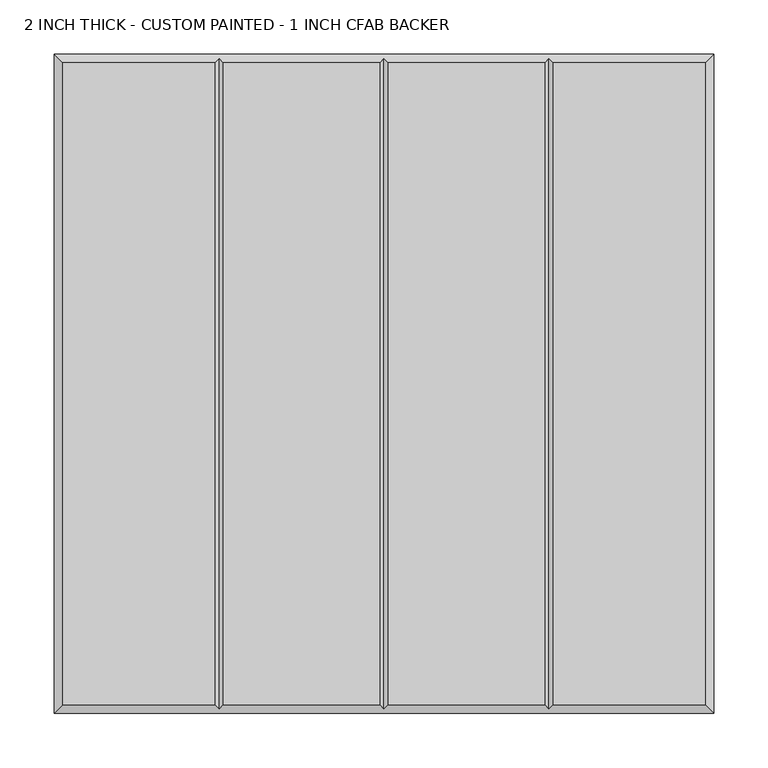
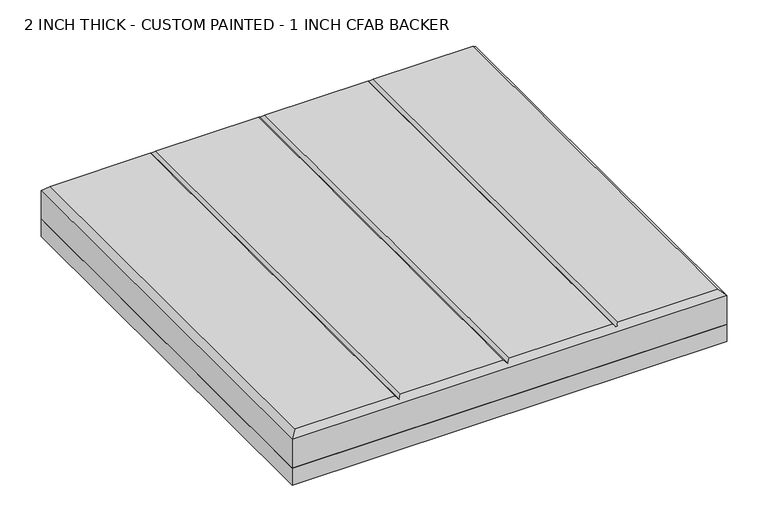
"""IFC4 building model written with IfcOpenShell, lengths in millimetres: proxy geometry, 2 INCH THICK - CUSTOM PAINTED - 1 INCH CFAB BACKER."""

from ifc_helpers import new_model, si_unit, frame, origin, place, context, project, spatial, polyline, outline, extrude, faceted_brep, source, transform, mapped, element, save


def proxy_2_inch_thick_custom_painted_1_inch_cfab_backer_888ce173(model_context):
    return source(origin(), model_context, "Body", "SolidModel", [
        extrude(outline(polyline([(-304.8, 304.8), (304.8, 304.8), (304.8, -304.8), (-304.8, -304.8), (-304.8, 304.8)])), frame((0.0, 0.0, -25.4), z_axis=(0.0, 0.0, 1.0), x_axis=(1.0, 0.0, 0.0)), (0.0, 0.0, 1.0), 25.4),
        faceted_brep([(-296.799, 296.799, 50.8), (-296.799, -296.799, 50.8), (-156.4009826, -296.799, 50.8), (-156.4009826, 296.799, 50.8), (296.799, -296.799, 50.8), (296.799, 296.799, 50.8), (156.4010334, 296.799, 50.8), (156.4010334, -296.799, 50.8), (-148.3999826, 296.799, 50.8), (-148.3999826, -296.799, 50.8), (-4.0004746, -296.799, 50.8), (-4.0004746, 296.799, 50.8), (4.0005254, 296.799, 50.8), (4.0005254, -296.799, 50.8), (148.4000334, -296.799, 50.8), (148.4000334, 296.799, 50.8), (-304.8, 304.8, 0.0), (304.8, 304.8, 0.0), (304.8, -304.8, 0.0), (-304.8, -304.8, 0.0), (-304.8, -304.8, 42.799), (-304.8, 304.8, 42.799), (304.8, -304.8, 42.799), (304.8, 304.8, 42.799), (-152.4004826, 300.7995, 46.7995), (2.54e-05, 300.7995, 46.7995), (152.4005334, 300.7995, 46.7995), (152.4005334, -300.7995, 46.7995), (2.54e-05, -300.7995, 46.7995), (-152.4004826, -300.7995, 46.7995)], [[[0, 1, 2, 3]], [[4, 5, 6, 7]], [[8, 9, 10, 11]], [[12, 13, 14, 15]], [[16, 17, 18, 19]], [[16, 19, 20, 21]], [[19, 18, 22, 20]], [[18, 17, 23, 22]], [[17, 16, 21, 23]], [[21, 0, 3, 24, 8, 11, 25, 12, 15, 26, 6, 5, 23]], [[0, 21, 20, 1]], [[1, 20, 22, 4, 7, 27, 14, 13, 28, 10, 9, 29, 2]], [[23, 5, 4, 22]], [[24, 29, 9, 8]], [[29, 24, 3, 2]], [[25, 28, 13, 12]], [[28, 25, 11, 10]], [[26, 27, 7, 6]], [[27, 26, 15, 14]]]),
    ])


if __name__ == "__main__":
    model = new_model("IFC4")
    model_context = context("Model", 3, world=origin())
    ifc_project = project(units=[si_unit("LENGTHUNIT", "METRE", prefix="MILLI")], contexts=[model_context])
    site = spatial("IfcSite", under=ifc_project)
    building = spatial("IfcBuilding", under=site)
    placement = place(None, origin())
    proxy_2_inch_thick_custom_painted_1_inch_cfab_backer_shape = proxy_2_inch_thick_custom_painted_1_inch_cfab_backer_888ce173(model_context)
    element("IfcBuildingElementProxy", 1, Name="2 INCH THICK - CUSTOM PAINTED - 1 INCH CFAB BACKER", ObjectType="2 INCH THICK - CUSTOM PAINTED - 1 INCH CFAB BACKER", at=placement, inside=building, context=model_context, shape_type="MappedRepresentation", body=[
        mapped(proxy_2_inch_thick_custom_painted_1_inch_cfab_backer_shape, transform((0.0, 0.0, 0.0), x_axis=(1.0, 0.0, 0.0), y_axis=(0.0, 1.0, 0.0), z_axis=(0.0, 0.0, 1.0))),
    ])
    save(model, "model.ifc")
